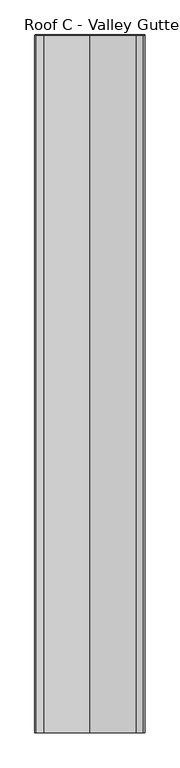
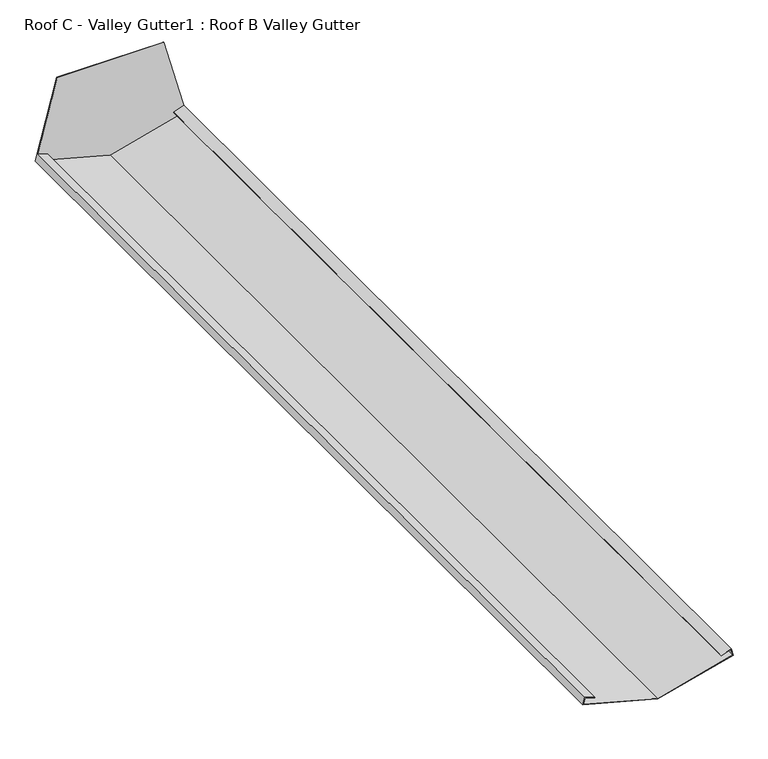
"""IFC4 building model written with IfcOpenShell, lengths in millimetres: proxy geometry, Roof C - Valley Gutter1 : Roof B Valley Gutter."""

from ifc_helpers import new_model, si_unit, frame, origin, place, context, project, spatial, polyline, outline, extrude, source, transform, mapped, element, save


def roof_c_valley_gutter1_roof_b_valley_gutter_550d0ec7(model_context):
    return source(origin(), model_context, "Body", "SweptSolid", [
        extrude(outline(polyline([(3179.1073801, 38541.0365708), (3236.1024544, 38753.7450838), (3461.1631719, 38693.4402463), (3461.1631719, 38395.4637264), (3234.3947466, 38334.70131), (3179.1073801, 38541.0365708)])), frame((0.0, -12398.2251597, 0.0), z_axis=(0.0, 1.0, 0.0), x_axis=(0.0, 0.0, 1.0)), (0.0, 0.0, 1.0), 2.0),
        extrude(outline(polyline([(3236.8095612, 38335.3483576), (3255.0739547, 38340.2422871), (3245.1865999, 38367.4075712), (3246.1262925, 38367.7495913), (3256.3868968, 38339.5588127), (3236.1024544, 38334.1236128), (3179.8838373, 38543.9343483), (3236.1024544, 38753.7450838), (3256.3868968, 38748.3098839), (3246.1262925, 38720.1191053), (3245.1865999, 38720.4611254), (3255.0739547, 38747.6264095), (3236.8095612, 38752.520339), (3180.9191134, 38543.9343483), (3236.8095612, 38335.3483576)])), frame((0.0, -15047.7251597, 0.0), z_axis=(0.0, 1.0, 0.0), x_axis=(0.0, 0.0, 1.0)), (0.0, 0.0, 1.0), 2649.5),
    ])


if __name__ == "__main__":
    model = new_model("IFC4")
    model_context = context("Model", 3, world=origin())
    ifc_project = project(units=[si_unit("LENGTHUNIT", "METRE", prefix="MILLI")], contexts=[model_context])
    site = spatial("IfcSite", under=ifc_project)
    building = spatial("IfcBuilding", under=site)
    placement = place(None, origin())
    roof_c_valley_gutter1_roof_b_valley_gutter_shape = roof_c_valley_gutter1_roof_b_valley_gutter_550d0ec7(model_context)
    element("IfcBuildingElementProxy", 1, Name="Roof C - Valley Gutter1 : Roof B Valley Gutter", ObjectType="Roof C - Valley Gutter1 : Roof B Valley Gutter", at=placement, inside=building, context=model_context, shape_type="MappedRepresentation", body=[
        mapped(roof_c_valley_gutter1_roof_b_valley_gutter_shape, transform((0.0, 0.0, 0.0), x_axis=(1.0, 0.0, 0.0), y_axis=(0.0, 1.0, 0.0), z_axis=(0.0, 0.0, 1.0))),
    ])
    save(model, "model.ifc")
